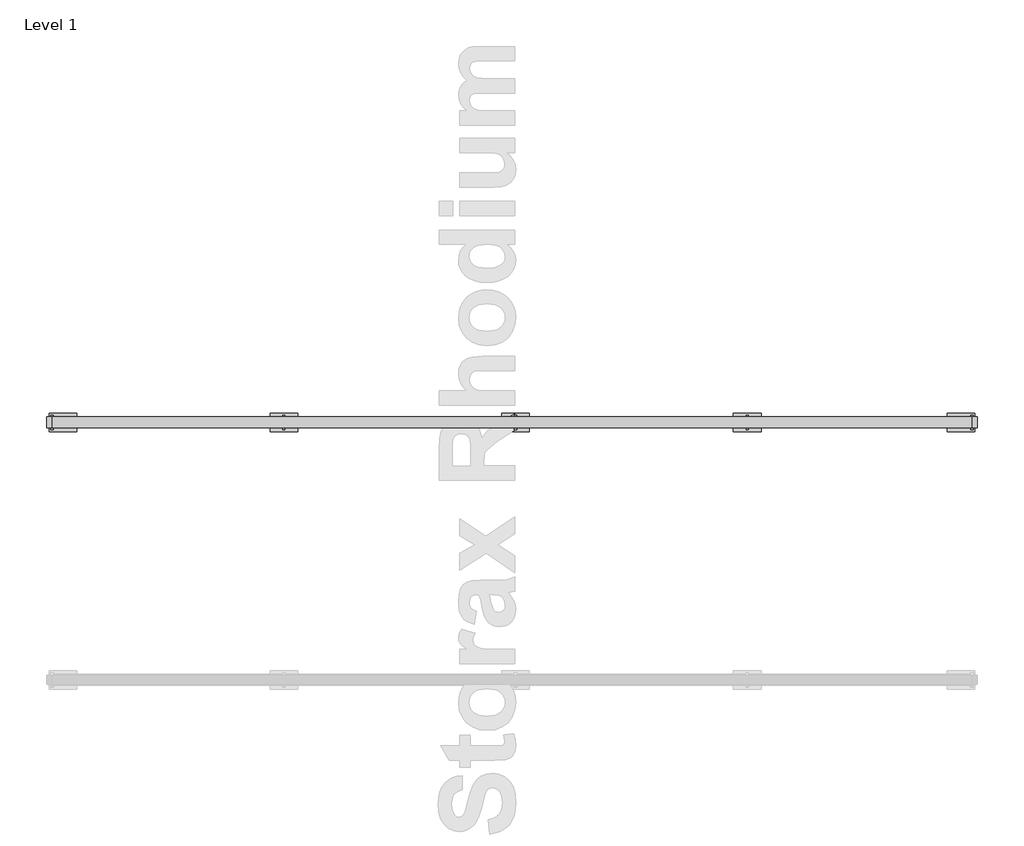
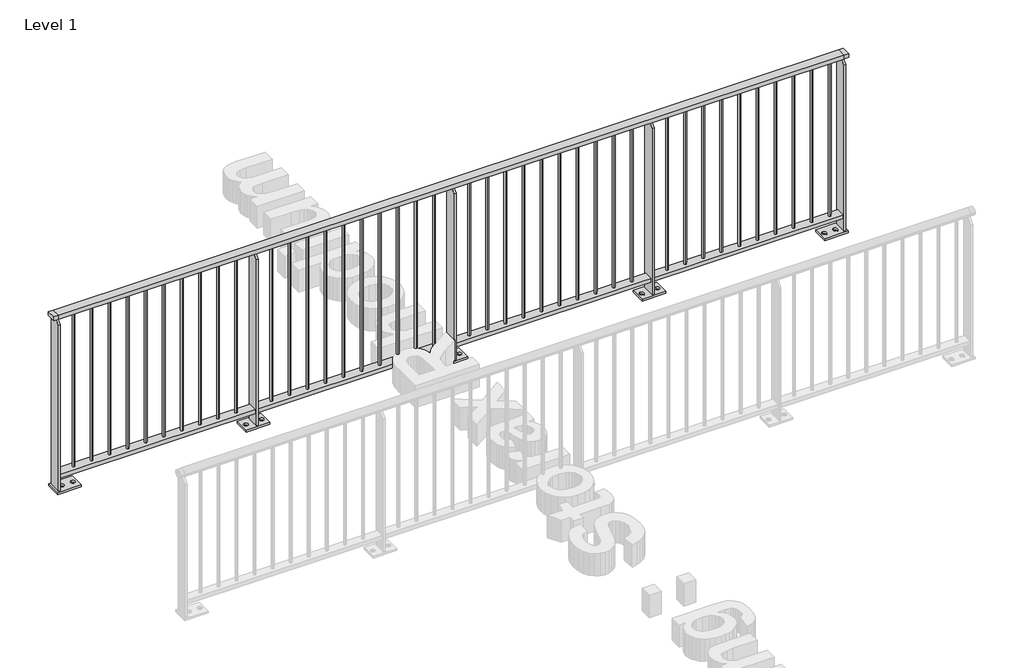
# One storey, part 8 of 20: 1 railing.
"""IFC4 building model written with IfcOpenShell, lengths in millimetres."""

from ifc_helpers import new_model, si_unit, point, frame, frame_2d, origin, origin_with_axes, place, context, project, spatial, polyline, circle_curve, trimmed, segment, composite_curve, outline, extrude, faceted_brep, element, save

model = new_model("IFC4")

# Units and contexts
model_context = context("Model", 3, world=origin())
ifc_project = project(units=[si_unit("LENGTHUNIT", "METRE", prefix="MILLI")], contexts=[model_context])

# Site, building, storey
site = spatial("IfcSite", under=ifc_project)
building = spatial("IfcBuilding", under=site)
storey = spatial("IfcBuildingStorey", under=building, Name="Level 1", Elevation=0.0)

# Railing
placement = place(None, origin())
element("IfcRailing", 1, at=placement, inside=storey, context=model_context, shape_type="SolidModel", body=[
    faceted_brep([(2259.1925079, -700.6318854, 1163.0), (2259.1925079, -700.6318854, 1188.0), (7260.6479588, -700.6318854, 1188.0), (7260.6479588, -700.6318854, 1163.0), (2259.1925079, -760.6318854, 1163.0), (7260.6479588, -760.6318854, 1163.0), (2259.1925079, -760.6318854, 1188.0), (7260.6479588, -760.6318854, 1188.0), (2229.1925079, -700.6318854, 1188.0), (2229.1925079, -700.6318854, 1163.0), (2229.1925079, -760.6318854, 1163.0), (2229.1925079, -760.6318854, 1188.0), (7290.6479588, -700.6318854, 1188.0), (7290.6479588, -760.6318854, 1188.0), (7290.6479588, -760.6318854, 1163.0), (7290.6479588, -700.6318854, 1163.0)], [[[0, 1, 2, 3]], [[4, 0, 3, 5]], [[6, 4, 5, 7]], [[1, 6, 7, 2]], [[8, 9, 10, 11]], [[9, 8, 1, 0]], [[10, 9, 0, 4]], [[11, 10, 4, 6]], [[8, 11, 6, 1]], [[12, 13, 14, 15]], [[3, 2, 12, 15]], [[5, 3, 15, 14]], [[7, 5, 14, 13]], [[2, 7, 13, 12]]]),
    extrude(outline(polyline([(2259.1925079, -760.6318854), (2259.1925079, -700.6318854), (7260.6479588, -700.6318854), (7260.6479588, -760.6318854), (2259.1925079, -760.6318854)])), frame((0.0, 0.0, 90.0), z_axis=(0.0, 0.0, 1.0), x_axis=(1.0, 0.0, 0.0)), (0.0, 0.0, 1.0), 25.0),
    extrude(outline(composite_curve([segment(trimmed(circle_curve(frame_2d((7186.6925079, -730.6318854)), 7.5), [point((7186.6925079, -723.1318854))], [point((7186.6925079, -738.1318854))], False, "CARTESIAN"), True, "CONTINUOUS"), segment(trimmed(circle_curve(frame_2d((7186.6925079, -730.6318854)), 7.5), [point((7186.6925079, -738.1318854))], [point((7186.6925079, -723.1318854))], False, "CARTESIAN"), True, "CONTINUOUS")], self_intersect=False)), frame((0.0, 0.0, 115.0), z_axis=(0.0, 0.0, 1.0), x_axis=(1.0, 0.0, 0.0)), (0.0, 0.0, 1.0), 1048.0),
    extrude(outline(composite_curve([segment(trimmed(circle_curve(frame_2d((7071.6925079, -730.6318854)), 7.5), [point((7071.6925079, -723.1318854))], [point((7071.6925079, -738.1318854))], False, "CARTESIAN"), True, "CONTINUOUS"), segment(trimmed(circle_curve(frame_2d((7071.6925079, -730.6318854)), 7.5), [point((7071.6925079, -738.1318854))], [point((7071.6925079, -723.1318854))], False, "CARTESIAN"), True, "CONTINUOUS")], self_intersect=False)), frame((0.0, 0.0, 115.0), z_axis=(0.0, 0.0, 1.0), x_axis=(1.0, 0.0, 0.0)), (0.0, 0.0, 1.0), 1048.0),
    extrude(outline(composite_curve([segment(trimmed(circle_curve(frame_2d((6956.6925079, -730.6318854)), 7.5), [point((6956.6925079, -723.1318854))], [point((6956.6925079, -738.1318854))], False, "CARTESIAN"), True, "CONTINUOUS"), segment(trimmed(circle_curve(frame_2d((6956.6925079, -730.6318854)), 7.5), [point((6956.6925079, -738.1318854))], [point((6956.6925079, -723.1318854))], False, "CARTESIAN"), True, "CONTINUOUS")], self_intersect=False)), frame((0.0, 0.0, 115.0), z_axis=(0.0, 0.0, 1.0), x_axis=(1.0, 0.0, 0.0)), (0.0, 0.0, 1.0), 1048.0),
    extrude(outline(composite_curve([segment(trimmed(circle_curve(frame_2d((6841.6925079, -730.6318854)), 7.5), [point((6841.6925079, -723.1318854))], [point((6841.6925079, -738.1318854))], False, "CARTESIAN"), True, "CONTINUOUS"), segment(trimmed(circle_curve(frame_2d((6841.6925079, -730.6318854)), 7.5), [point((6841.6925079, -738.1318854))], [point((6841.6925079, -723.1318854))], False, "CARTESIAN"), True, "CONTINUOUS")], self_intersect=False)), frame((0.0, 0.0, 115.0), z_axis=(0.0, 0.0, 1.0), x_axis=(1.0, 0.0, 0.0)), (0.0, 0.0, 1.0), 1048.0),
    extrude(outline(composite_curve([segment(trimmed(circle_curve(frame_2d((6726.6925079, -730.6318854)), 7.5), [point((6726.6925079, -723.1318854))], [point((6726.6925079, -738.1318854))], False, "CARTESIAN"), True, "CONTINUOUS"), segment(trimmed(circle_curve(frame_2d((6726.6925079, -730.6318854)), 7.5), [point((6726.6925079, -738.1318854))], [point((6726.6925079, -723.1318854))], False, "CARTESIAN"), True, "CONTINUOUS")], self_intersect=False)), frame((0.0, 0.0, 115.0), z_axis=(0.0, 0.0, 1.0), x_axis=(1.0, 0.0, 0.0)), (0.0, 0.0, 1.0), 1048.0),
    extrude(outline(composite_curve([segment(trimmed(circle_curve(frame_2d((6611.6925079, -730.6318854)), 7.5), [point((6611.6925079, -723.1318854))], [point((6611.6925079, -738.1318854))], False, "CARTESIAN"), True, "CONTINUOUS"), segment(trimmed(circle_curve(frame_2d((6611.6925079, -730.6318854)), 7.5), [point((6611.6925079, -738.1318854))], [point((6611.6925079, -723.1318854))], False, "CARTESIAN"), True, "CONTINUOUS")], self_intersect=False)), frame((0.0, 0.0, 115.0), z_axis=(0.0, 0.0, 1.0), x_axis=(1.0, 0.0, 0.0)), (0.0, 0.0, 1.0), 1048.0),
    extrude(outline(composite_curve([segment(trimmed(circle_curve(frame_2d((6496.6925079, -730.6318854)), 7.5), [point((6496.6925079, -723.1318854))], [point((6496.6925079, -738.1318854))], False, "CARTESIAN"), True, "CONTINUOUS"), segment(trimmed(circle_curve(frame_2d((6496.6925079, -730.6318854)), 7.5), [point((6496.6925079, -738.1318854))], [point((6496.6925079, -723.1318854))], False, "CARTESIAN"), True, "CONTINUOUS")], self_intersect=False)), frame((0.0, 0.0, 115.0), z_axis=(0.0, 0.0, 1.0), x_axis=(1.0, 0.0, 0.0)), (0.0, 0.0, 1.0), 1048.0),
    extrude(outline(composite_curve([segment(trimmed(circle_curve(frame_2d((6381.6925079, -730.6318854)), 7.5), [point((6381.6925079, -723.1318854))], [point((6381.6925079, -738.1318854))], False, "CARTESIAN"), True, "CONTINUOUS"), segment(trimmed(circle_curve(frame_2d((6381.6925079, -730.6318854)), 7.5), [point((6381.6925079, -738.1318854))], [point((6381.6925079, -723.1318854))], False, "CARTESIAN"), True, "CONTINUOUS")], self_intersect=False)), frame((0.0, 0.0, 115.0), z_axis=(0.0, 0.0, 1.0), x_axis=(1.0, 0.0, 0.0)), (0.0, 0.0, 1.0), 1048.0),
    extrude(outline(composite_curve([segment(trimmed(circle_curve(frame_2d((6266.6925079, -730.6318854)), 7.5), [point((6266.6925079, -723.1318854))], [point((6266.6925079, -738.1318854))], False, "CARTESIAN"), True, "CONTINUOUS"), segment(trimmed(circle_curve(frame_2d((6266.6925079, -730.6318854)), 7.5), [point((6266.6925079, -738.1318854))], [point((6266.6925079, -723.1318854))], False, "CARTESIAN"), True, "CONTINUOUS")], self_intersect=False)), frame((0.0, 0.0, 115.0), z_axis=(0.0, 0.0, 1.0), x_axis=(1.0, 0.0, 0.0)), (0.0, 0.0, 1.0), 1048.0),
    extrude(outline(composite_curve([segment(trimmed(circle_curve(frame_2d((6151.6925079, -730.6318854)), 7.5), [point((6151.6925079, -723.1318854))], [point((6151.6925079, -738.1318854))], False, "CARTESIAN"), True, "CONTINUOUS"), segment(trimmed(circle_curve(frame_2d((6151.6925079, -730.6318854)), 7.5), [point((6151.6925079, -738.1318854))], [point((6151.6925079, -723.1318854))], False, "CARTESIAN"), True, "CONTINUOUS")], self_intersect=False)), frame((0.0, 0.0, 115.0), z_axis=(0.0, 0.0, 1.0), x_axis=(1.0, 0.0, 0.0)), (0.0, 0.0, 1.0), 1048.0),
    extrude(outline(polyline([(-690.6318854, 12.0), (-770.6318854, 12.0), (-770.6318854, 1130.5), (-738.1318854, 1163.0), (-723.1318854, 1163.0), (-690.6318854, 1130.5), (-690.6318854, 12.0)])), frame((6033.1925079, 0.0, 0.0), z_axis=(1.0, 0.0, 0.0), x_axis=(0.0, 1.0, 0.0)), (0.0, 0.0, 1.0), 12.0),
    extrude(outline(polyline([(5964.1925079, -680.6318854), (6114.1925079, -680.6318854), (6114.1925079, -780.6318854), (5964.1925079, -780.6318854), (5964.1925079, -680.6318854)]), holes=[composite_curve([segment(trimmed(circle_curve(frame_2d((5989.1925079, -730.6318854)), 13.5), [point((5989.1925079, -744.1318854))], [point((5989.1925079, -717.1318854))], True, "CARTESIAN"), True, "CONTINUOUS"), segment(trimmed(circle_curve(frame_2d((5989.1925079, -730.6318854)), 13.5), [point((5989.1925079, -717.1318854))], [point((5989.1925079, -744.1318854))], True, "CARTESIAN"), True, "CONTINUOUS")], self_intersect=False), composite_curve([segment(trimmed(circle_curve(frame_2d((6089.1925079, -730.6318854)), 13.5), [point((6089.1925079, -744.1318854))], [point((6089.1925079, -717.1318854))], True, "CARTESIAN"), True, "CONTINUOUS"), segment(trimmed(circle_curve(frame_2d((6089.1925079, -730.6318854)), 13.5), [point((6089.1925079, -717.1318854))], [point((6089.1925079, -744.1318854))], True, "CARTESIAN"), True, "CONTINUOUS")], self_intersect=False)]), origin_with_axes(), (0.0, 0.0, 1.0), 12.0),
    extrude(outline(composite_curve([segment(trimmed(circle_curve(frame_2d((5926.6925079, -730.6318854)), 7.5), [point((5926.6925079, -723.1318854))], [point((5926.6925079, -738.1318854))], False, "CARTESIAN"), True, "CONTINUOUS"), segment(trimmed(circle_curve(frame_2d((5926.6925079, -730.6318854)), 7.5), [point((5926.6925079, -738.1318854))], [point((5926.6925079, -723.1318854))], False, "CARTESIAN"), True, "CONTINUOUS")], self_intersect=False)), frame((0.0, 0.0, 115.0), z_axis=(0.0, 0.0, 1.0), x_axis=(1.0, 0.0, 0.0)), (0.0, 0.0, 1.0), 1048.0),
    extrude(outline(composite_curve([segment(trimmed(circle_curve(frame_2d((5811.6925079, -730.6318854)), 7.5), [point((5811.6925079, -723.1318854))], [point((5811.6925079, -738.1318854))], False, "CARTESIAN"), True, "CONTINUOUS"), segment(trimmed(circle_curve(frame_2d((5811.6925079, -730.6318854)), 7.5), [point((5811.6925079, -738.1318854))], [point((5811.6925079, -723.1318854))], False, "CARTESIAN"), True, "CONTINUOUS")], self_intersect=False)), frame((0.0, 0.0, 115.0), z_axis=(0.0, 0.0, 1.0), x_axis=(1.0, 0.0, 0.0)), (0.0, 0.0, 1.0), 1048.0),
    extrude(outline(composite_curve([segment(trimmed(circle_curve(frame_2d((5696.6925079, -730.6318854)), 7.5), [point((5696.6925079, -723.1318854))], [point((5696.6925079, -738.1318854))], False, "CARTESIAN"), True, "CONTINUOUS"), segment(trimmed(circle_curve(frame_2d((5696.6925079, -730.6318854)), 7.5), [point((5696.6925079, -738.1318854))], [point((5696.6925079, -723.1318854))], False, "CARTESIAN"), True, "CONTINUOUS")], self_intersect=False)), frame((0.0, 0.0, 115.0), z_axis=(0.0, 0.0, 1.0), x_axis=(1.0, 0.0, 0.0)), (0.0, 0.0, 1.0), 1048.0),
    extrude(outline(composite_curve([segment(trimmed(circle_curve(frame_2d((5581.6925079, -730.6318854)), 7.5), [point((5581.6925079, -723.1318854))], [point((5581.6925079, -738.1318854))], False, "CARTESIAN"), True, "CONTINUOUS"), segment(trimmed(circle_curve(frame_2d((5581.6925079, -730.6318854)), 7.5), [point((5581.6925079, -738.1318854))], [point((5581.6925079, -723.1318854))], False, "CARTESIAN"), True, "CONTINUOUS")], self_intersect=False)), frame((0.0, 0.0, 115.0), z_axis=(0.0, 0.0, 1.0), x_axis=(1.0, 0.0, 0.0)), (0.0, 0.0, 1.0), 1048.0),
    extrude(outline(composite_curve([segment(trimmed(circle_curve(frame_2d((5466.6925079, -730.6318854)), 7.5), [point((5466.6925079, -723.1318854))], [point((5466.6925079, -738.1318854))], False, "CARTESIAN"), True, "CONTINUOUS"), segment(trimmed(circle_curve(frame_2d((5466.6925079, -730.6318854)), 7.5), [point((5466.6925079, -738.1318854))], [point((5466.6925079, -723.1318854))], False, "CARTESIAN"), True, "CONTINUOUS")], self_intersect=False)), frame((0.0, 0.0, 115.0), z_axis=(0.0, 0.0, 1.0), x_axis=(1.0, 0.0, 0.0)), (0.0, 0.0, 1.0), 1048.0),
    extrude(outline(composite_curve([segment(trimmed(circle_curve(frame_2d((5351.6925079, -730.6318854)), 7.5), [point((5351.6925079, -723.1318854))], [point((5351.6925079, -738.1318854))], False, "CARTESIAN"), True, "CONTINUOUS"), segment(trimmed(circle_curve(frame_2d((5351.6925079, -730.6318854)), 7.5), [point((5351.6925079, -738.1318854))], [point((5351.6925079, -723.1318854))], False, "CARTESIAN"), True, "CONTINUOUS")], self_intersect=False)), frame((0.0, 0.0, 115.0), z_axis=(0.0, 0.0, 1.0), x_axis=(1.0, 0.0, 0.0)), (0.0, 0.0, 1.0), 1048.0),
    extrude(outline(composite_curve([segment(trimmed(circle_curve(frame_2d((5236.6925079, -730.6318854)), 7.5), [point((5236.6925079, -723.1318854))], [point((5236.6925079, -738.1318854))], False, "CARTESIAN"), True, "CONTINUOUS"), segment(trimmed(circle_curve(frame_2d((5236.6925079, -730.6318854)), 7.5), [point((5236.6925079, -738.1318854))], [point((5236.6925079, -723.1318854))], False, "CARTESIAN"), True, "CONTINUOUS")], self_intersect=False)), frame((0.0, 0.0, 115.0), z_axis=(0.0, 0.0, 1.0), x_axis=(1.0, 0.0, 0.0)), (0.0, 0.0, 1.0), 1048.0),
    extrude(outline(composite_curve([segment(trimmed(circle_curve(frame_2d((5121.6925079, -730.6318854)), 7.5), [point((5121.6925079, -723.1318854))], [point((5121.6925079, -738.1318854))], False, "CARTESIAN"), True, "CONTINUOUS"), segment(trimmed(circle_curve(frame_2d((5121.6925079, -730.6318854)), 7.5), [point((5121.6925079, -738.1318854))], [point((5121.6925079, -723.1318854))], False, "CARTESIAN"), True, "CONTINUOUS")], self_intersect=False)), frame((0.0, 0.0, 115.0), z_axis=(0.0, 0.0, 1.0), x_axis=(1.0, 0.0, 0.0)), (0.0, 0.0, 1.0), 1048.0),
    extrude(outline(composite_curve([segment(trimmed(circle_curve(frame_2d((5006.6925079, -730.6318854)), 7.5), [point((5006.6925079, -723.1318854))], [point((5006.6925079, -738.1318854))], False, "CARTESIAN"), True, "CONTINUOUS"), segment(trimmed(circle_curve(frame_2d((5006.6925079, -730.6318854)), 7.5), [point((5006.6925079, -738.1318854))], [point((5006.6925079, -723.1318854))], False, "CARTESIAN"), True, "CONTINUOUS")], self_intersect=False)), frame((0.0, 0.0, 115.0), z_axis=(0.0, 0.0, 1.0), x_axis=(1.0, 0.0, 0.0)), (0.0, 0.0, 1.0), 1048.0),
    extrude(outline(composite_curve([segment(trimmed(circle_curve(frame_2d((4891.6925079, -730.6318854)), 7.5), [point((4891.6925079, -723.1318854))], [point((4891.6925079, -738.1318854))], False, "CARTESIAN"), True, "CONTINUOUS"), segment(trimmed(circle_curve(frame_2d((4891.6925079, -730.6318854)), 7.5), [point((4891.6925079, -738.1318854))], [point((4891.6925079, -723.1318854))], False, "CARTESIAN"), True, "CONTINUOUS")], self_intersect=False)), frame((0.0, 0.0, 115.0), z_axis=(0.0, 0.0, 1.0), x_axis=(1.0, 0.0, 0.0)), (0.0, 0.0, 1.0), 1048.0),
    extrude(outline(polyline([(-690.6318854, 12.0), (-770.6318854, 12.0), (-770.6318854, 1130.5), (-738.1318854, 1163.0), (-723.1318854, 1163.0), (-690.6318854, 1130.5), (-690.6318854, 12.0)])), frame((4773.1925079, 0.0, 0.0), z_axis=(1.0, 0.0, 0.0), x_axis=(0.0, 1.0, 0.0)), (0.0, 0.0, 1.0), 12.0),
    extrude(outline(polyline([(4704.1925079, -680.6318854), (4854.1925079, -680.6318854), (4854.1925079, -780.6318854), (4704.1925079, -780.6318854), (4704.1925079, -680.6318854)]), holes=[composite_curve([segment(trimmed(circle_curve(frame_2d((4729.1925079, -730.6318854)), 13.5), [point((4729.1925079, -744.1318854))], [point((4729.1925079, -717.1318854))], True, "CARTESIAN"), True, "CONTINUOUS"), segment(trimmed(circle_curve(frame_2d((4729.1925079, -730.6318854)), 13.5), [point((4729.1925079, -717.1318854))], [point((4729.1925079, -744.1318854))], True, "CARTESIAN"), True, "CONTINUOUS")], self_intersect=False), composite_curve([segment(trimmed(circle_curve(frame_2d((4829.1925079, -730.6318854)), 13.5), [point((4829.1925079, -744.1318854))], [point((4829.1925079, -717.1318854))], True, "CARTESIAN"), True, "CONTINUOUS"), segment(trimmed(circle_curve(frame_2d((4829.1925079, -730.6318854)), 13.5), [point((4829.1925079, -717.1318854))], [point((4829.1925079, -744.1318854))], True, "CARTESIAN"), True, "CONTINUOUS")], self_intersect=False)]), origin_with_axes(), (0.0, 0.0, 1.0), 12.0),
    extrude(outline(composite_curve([segment(trimmed(circle_curve(frame_2d((4666.6925079, -730.6318854)), 7.5), [point((4666.6925079, -723.1318854))], [point((4666.6925079, -738.1318854))], False, "CARTESIAN"), True, "CONTINUOUS"), segment(trimmed(circle_curve(frame_2d((4666.6925079, -730.6318854)), 7.5), [point((4666.6925079, -738.1318854))], [point((4666.6925079, -723.1318854))], False, "CARTESIAN"), True, "CONTINUOUS")], self_intersect=False)), frame((0.0, 0.0, 115.0), z_axis=(0.0, 0.0, 1.0), x_axis=(1.0, 0.0, 0.0)), (0.0, 0.0, 1.0), 1048.0),
    extrude(outline(composite_curve([segment(trimmed(circle_curve(frame_2d((4551.6925079, -730.6318854)), 7.5), [point((4551.6925079, -723.1318854))], [point((4551.6925079, -738.1318854))], False, "CARTESIAN"), True, "CONTINUOUS"), segment(trimmed(circle_curve(frame_2d((4551.6925079, -730.6318854)), 7.5), [point((4551.6925079, -738.1318854))], [point((4551.6925079, -723.1318854))], False, "CARTESIAN"), True, "CONTINUOUS")], self_intersect=False)), frame((0.0, 0.0, 115.0), z_axis=(0.0, 0.0, 1.0), x_axis=(1.0, 0.0, 0.0)), (0.0, 0.0, 1.0), 1048.0),
    extrude(outline(composite_curve([segment(trimmed(circle_curve(frame_2d((4436.6925079, -730.6318854)), 7.5), [point((4436.6925079, -723.1318854))], [point((4436.6925079, -738.1318854))], False, "CARTESIAN"), True, "CONTINUOUS"), segment(trimmed(circle_curve(frame_2d((4436.6925079, -730.6318854)), 7.5), [point((4436.6925079, -738.1318854))], [point((4436.6925079, -723.1318854))], False, "CARTESIAN"), True, "CONTINUOUS")], self_intersect=False)), frame((0.0, 0.0, 115.0), z_axis=(0.0, 0.0, 1.0), x_axis=(1.0, 0.0, 0.0)), (0.0, 0.0, 1.0), 1048.0),
    extrude(outline(composite_curve([segment(trimmed(circle_curve(frame_2d((4321.6925079, -730.6318854)), 7.5), [point((4321.6925079, -723.1318854))], [point((4321.6925079, -738.1318854))], False, "CARTESIAN"), True, "CONTINUOUS"), segment(trimmed(circle_curve(frame_2d((4321.6925079, -730.6318854)), 7.5), [point((4321.6925079, -738.1318854))], [point((4321.6925079, -723.1318854))], False, "CARTESIAN"), True, "CONTINUOUS")], self_intersect=False)), frame((0.0, 0.0, 115.0), z_axis=(0.0, 0.0, 1.0), x_axis=(1.0, 0.0, 0.0)), (0.0, 0.0, 1.0), 1048.0),
    extrude(outline(composite_curve([segment(trimmed(circle_curve(frame_2d((4206.6925079, -730.6318854)), 7.5), [point((4206.6925079, -723.1318854))], [point((4206.6925079, -738.1318854))], False, "CARTESIAN"), True, "CONTINUOUS"), segment(trimmed(circle_curve(frame_2d((4206.6925079, -730.6318854)), 7.5), [point((4206.6925079, -738.1318854))], [point((4206.6925079, -723.1318854))], False, "CARTESIAN"), True, "CONTINUOUS")], self_intersect=False)), frame((0.0, 0.0, 115.0), z_axis=(0.0, 0.0, 1.0), x_axis=(1.0, 0.0, 0.0)), (0.0, 0.0, 1.0), 1048.0),
    extrude(outline(composite_curve([segment(trimmed(circle_curve(frame_2d((4091.6925079, -730.6318854)), 7.5), [point((4091.6925079, -723.1318854))], [point((4091.6925079, -738.1318854))], False, "CARTESIAN"), True, "CONTINUOUS"), segment(trimmed(circle_curve(frame_2d((4091.6925079, -730.6318854)), 7.5), [point((4091.6925079, -738.1318854))], [point((4091.6925079, -723.1318854))], False, "CARTESIAN"), True, "CONTINUOUS")], self_intersect=False)), frame((0.0, 0.0, 115.0), z_axis=(0.0, 0.0, 1.0), x_axis=(1.0, 0.0, 0.0)), (0.0, 0.0, 1.0), 1048.0),
    extrude(outline(composite_curve([segment(trimmed(circle_curve(frame_2d((3976.6925079, -730.6318854)), 7.5), [point((3976.6925079, -723.1318854))], [point((3976.6925079, -738.1318854))], False, "CARTESIAN"), True, "CONTINUOUS"), segment(trimmed(circle_curve(frame_2d((3976.6925079, -730.6318854)), 7.5), [point((3976.6925079, -738.1318854))], [point((3976.6925079, -723.1318854))], False, "CARTESIAN"), True, "CONTINUOUS")], self_intersect=False)), frame((0.0, 0.0, 115.0), z_axis=(0.0, 0.0, 1.0), x_axis=(1.0, 0.0, 0.0)), (0.0, 0.0, 1.0), 1048.0),
    extrude(outline(composite_curve([segment(trimmed(circle_curve(frame_2d((3861.6925079, -730.6318854)), 7.5), [point((3861.6925079, -723.1318854))], [point((3861.6925079, -738.1318854))], False, "CARTESIAN"), True, "CONTINUOUS"), segment(trimmed(circle_curve(frame_2d((3861.6925079, -730.6318854)), 7.5), [point((3861.6925079, -738.1318854))], [point((3861.6925079, -723.1318854))], False, "CARTESIAN"), True, "CONTINUOUS")], self_intersect=False)), frame((0.0, 0.0, 115.0), z_axis=(0.0, 0.0, 1.0), x_axis=(1.0, 0.0, 0.0)), (0.0, 0.0, 1.0), 1048.0),
    extrude(outline(composite_curve([segment(trimmed(circle_curve(frame_2d((3746.6925079, -730.6318854)), 7.5), [point((3746.6925079, -723.1318854))], [point((3746.6925079, -738.1318854))], False, "CARTESIAN"), True, "CONTINUOUS"), segment(trimmed(circle_curve(frame_2d((3746.6925079, -730.6318854)), 7.5), [point((3746.6925079, -738.1318854))], [point((3746.6925079, -723.1318854))], False, "CARTESIAN"), True, "CONTINUOUS")], self_intersect=False)), frame((0.0, 0.0, 115.0), z_axis=(0.0, 0.0, 1.0), x_axis=(1.0, 0.0, 0.0)), (0.0, 0.0, 1.0), 1048.0),
    extrude(outline(composite_curve([segment(trimmed(circle_curve(frame_2d((3631.6925079, -730.6318854)), 7.5), [point((3631.6925079, -723.1318854))], [point((3631.6925079, -738.1318854))], False, "CARTESIAN"), True, "CONTINUOUS"), segment(trimmed(circle_curve(frame_2d((3631.6925079, -730.6318854)), 7.5), [point((3631.6925079, -738.1318854))], [point((3631.6925079, -723.1318854))], False, "CARTESIAN"), True, "CONTINUOUS")], self_intersect=False)), frame((0.0, 0.0, 115.0), z_axis=(0.0, 0.0, 1.0), x_axis=(1.0, 0.0, 0.0)), (0.0, 0.0, 1.0), 1048.0),
    extrude(outline(polyline([(-690.6318854, 12.0), (-770.6318854, 12.0), (-770.6318854, 1130.5), (-738.1318854, 1163.0), (-723.1318854, 1163.0), (-690.6318854, 1130.5), (-690.6318854, 12.0)])), frame((3513.1925079, 0.0, 0.0), z_axis=(1.0, 0.0, 0.0), x_axis=(0.0, 1.0, 0.0)), (0.0, 0.0, 1.0), 12.0),
    extrude(outline(polyline([(3444.1925079, -680.6318854), (3594.1925079, -680.6318854), (3594.1925079, -780.6318854), (3444.1925079, -780.6318854), (3444.1925079, -680.6318854)]), holes=[composite_curve([segment(trimmed(circle_curve(frame_2d((3469.1925079, -730.6318854)), 13.5), [point((3469.1925079, -744.1318854))], [point((3469.1925079, -717.1318854))], True, "CARTESIAN"), True, "CONTINUOUS"), segment(trimmed(circle_curve(frame_2d((3469.1925079, -730.6318854)), 13.5), [point((3469.1925079, -717.1318854))], [point((3469.1925079, -744.1318854))], True, "CARTESIAN"), True, "CONTINUOUS")], self_intersect=False), composite_curve([segment(trimmed(circle_curve(frame_2d((3569.1925079, -730.6318854)), 13.5), [point((3569.1925079, -744.1318854))], [point((3569.1925079, -717.1318854))], True, "CARTESIAN"), True, "CONTINUOUS"), segment(trimmed(circle_curve(frame_2d((3569.1925079, -730.6318854)), 13.5), [point((3569.1925079, -717.1318854))], [point((3569.1925079, -744.1318854))], True, "CARTESIAN"), True, "CONTINUOUS")], self_intersect=False)]), origin_with_axes(), (0.0, 0.0, 1.0), 12.0),
    extrude(outline(composite_curve([segment(trimmed(circle_curve(frame_2d((3406.6925079, -730.6318854)), 7.5), [point((3406.6925079, -723.1318854))], [point((3406.6925079, -738.1318854))], False, "CARTESIAN"), True, "CONTINUOUS"), segment(trimmed(circle_curve(frame_2d((3406.6925079, -730.6318854)), 7.5), [point((3406.6925079, -738.1318854))], [point((3406.6925079, -723.1318854))], False, "CARTESIAN"), True, "CONTINUOUS")], self_intersect=False)), frame((0.0, 0.0, 115.0), z_axis=(0.0, 0.0, 1.0), x_axis=(1.0, 0.0, 0.0)), (0.0, 0.0, 1.0), 1048.0),
    extrude(outline(composite_curve([segment(trimmed(circle_curve(frame_2d((3291.6925079, -730.6318854)), 7.5), [point((3291.6925079, -723.1318854))], [point((3291.6925079, -738.1318854))], False, "CARTESIAN"), True, "CONTINUOUS"), segment(trimmed(circle_curve(frame_2d((3291.6925079, -730.6318854)), 7.5), [point((3291.6925079, -738.1318854))], [point((3291.6925079, -723.1318854))], False, "CARTESIAN"), True, "CONTINUOUS")], self_intersect=False)), frame((0.0, 0.0, 115.0), z_axis=(0.0, 0.0, 1.0), x_axis=(1.0, 0.0, 0.0)), (0.0, 0.0, 1.0), 1048.0),
    extrude(outline(composite_curve([segment(trimmed(circle_curve(frame_2d((3176.6925079, -730.6318854)), 7.5), [point((3176.6925079, -723.1318854))], [point((3176.6925079, -738.1318854))], False, "CARTESIAN"), True, "CONTINUOUS"), segment(trimmed(circle_curve(frame_2d((3176.6925079, -730.6318854)), 7.5), [point((3176.6925079, -738.1318854))], [point((3176.6925079, -723.1318854))], False, "CARTESIAN"), True, "CONTINUOUS")], self_intersect=False)), frame((0.0, 0.0, 115.0), z_axis=(0.0, 0.0, 1.0), x_axis=(1.0, 0.0, 0.0)), (0.0, 0.0, 1.0), 1048.0),
    extrude(outline(composite_curve([segment(trimmed(circle_curve(frame_2d((3061.6925079, -730.6318854)), 7.5), [point((3061.6925079, -723.1318854))], [point((3061.6925079, -738.1318854))], False, "CARTESIAN"), True, "CONTINUOUS"), segment(trimmed(circle_curve(frame_2d((3061.6925079, -730.6318854)), 7.5), [point((3061.6925079, -738.1318854))], [point((3061.6925079, -723.1318854))], False, "CARTESIAN"), True, "CONTINUOUS")], self_intersect=False)), frame((0.0, 0.0, 115.0), z_axis=(0.0, 0.0, 1.0), x_axis=(1.0, 0.0, 0.0)), (0.0, 0.0, 1.0), 1048.0),
    extrude(outline(composite_curve([segment(trimmed(circle_curve(frame_2d((2946.6925079, -730.6318854)), 7.5), [point((2946.6925079, -723.1318854))], [point((2946.6925079, -738.1318854))], False, "CARTESIAN"), True, "CONTINUOUS"), segment(trimmed(circle_curve(frame_2d((2946.6925079, -730.6318854)), 7.5), [point((2946.6925079, -738.1318854))], [point((2946.6925079, -723.1318854))], False, "CARTESIAN"), True, "CONTINUOUS")], self_intersect=False)), frame((0.0, 0.0, 115.0), z_axis=(0.0, 0.0, 1.0), x_axis=(1.0, 0.0, 0.0)), (0.0, 0.0, 1.0), 1048.0),
    extrude(outline(composite_curve([segment(trimmed(circle_curve(frame_2d((2831.6925079, -730.6318854)), 7.5), [point((2831.6925079, -723.1318854))], [point((2831.6925079, -738.1318854))], False, "CARTESIAN"), True, "CONTINUOUS"), segment(trimmed(circle_curve(frame_2d((2831.6925079, -730.6318854)), 7.5), [point((2831.6925079, -738.1318854))], [point((2831.6925079, -723.1318854))], False, "CARTESIAN"), True, "CONTINUOUS")], self_intersect=False)), frame((0.0, 0.0, 115.0), z_axis=(0.0, 0.0, 1.0), x_axis=(1.0, 0.0, 0.0)), (0.0, 0.0, 1.0), 1048.0),
    extrude(outline(composite_curve([segment(trimmed(circle_curve(frame_2d((2716.6925079, -730.6318854)), 7.5), [point((2716.6925079, -723.1318854))], [point((2716.6925079, -738.1318854))], False, "CARTESIAN"), True, "CONTINUOUS"), segment(trimmed(circle_curve(frame_2d((2716.6925079, -730.6318854)), 7.5), [point((2716.6925079, -738.1318854))], [point((2716.6925079, -723.1318854))], False, "CARTESIAN"), True, "CONTINUOUS")], self_intersect=False)), frame((0.0, 0.0, 115.0), z_axis=(0.0, 0.0, 1.0), x_axis=(1.0, 0.0, 0.0)), (0.0, 0.0, 1.0), 1048.0),
    extrude(outline(composite_curve([segment(trimmed(circle_curve(frame_2d((2601.6925079, -730.6318854)), 7.5), [point((2601.6925079, -723.1318854))], [point((2601.6925079, -738.1318854))], False, "CARTESIAN"), True, "CONTINUOUS"), segment(trimmed(circle_curve(frame_2d((2601.6925079, -730.6318854)), 7.5), [point((2601.6925079, -738.1318854))], [point((2601.6925079, -723.1318854))], False, "CARTESIAN"), True, "CONTINUOUS")], self_intersect=False)), frame((0.0, 0.0, 115.0), z_axis=(0.0, 0.0, 1.0), x_axis=(1.0, 0.0, 0.0)), (0.0, 0.0, 1.0), 1048.0),
    extrude(outline(composite_curve([segment(trimmed(circle_curve(frame_2d((2486.6925079, -730.6318854)), 7.5), [point((2486.6925079, -723.1318854))], [point((2486.6925079, -738.1318854))], False, "CARTESIAN"), True, "CONTINUOUS"), segment(trimmed(circle_curve(frame_2d((2486.6925079, -730.6318854)), 7.5), [point((2486.6925079, -738.1318854))], [point((2486.6925079, -723.1318854))], False, "CARTESIAN"), True, "CONTINUOUS")], self_intersect=False)), frame((0.0, 0.0, 115.0), z_axis=(0.0, 0.0, 1.0), x_axis=(1.0, 0.0, 0.0)), (0.0, 0.0, 1.0), 1048.0),
    extrude(outline(composite_curve([segment(trimmed(circle_curve(frame_2d((2371.6925079, -730.6318854)), 7.5), [point((2371.6925079, -723.1318854))], [point((2371.6925079, -738.1318854))], False, "CARTESIAN"), True, "CONTINUOUS"), segment(trimmed(circle_curve(frame_2d((2371.6925079, -730.6318854)), 7.5), [point((2371.6925079, -738.1318854))], [point((2371.6925079, -723.1318854))], False, "CARTESIAN"), True, "CONTINUOUS")], self_intersect=False)), frame((0.0, 0.0, 115.0), z_axis=(0.0, 0.0, 1.0), x_axis=(1.0, 0.0, 0.0)), (0.0, 0.0, 1.0), 1048.0),
    extrude(outline(polyline([(-690.6318854, 12.0), (-770.6318854, 12.0), (-770.6318854, 1130.5), (-738.1318854, 1163.0), (-723.1318854, 1163.0), (-690.6318854, 1130.5), (-690.6318854, 12.0)])), frame((7254.6479588, 0.0, 0.0), z_axis=(1.0, 0.0, 0.0), x_axis=(0.0, 1.0, 0.0)), (0.0, 0.0, 1.0), 12.0),
    extrude(outline(polyline([(7126.6479588, -680.6318854), (7276.6479588, -680.6318854), (7276.6479588, -780.6318854), (7126.6479588, -780.6318854), (7126.6479588, -680.6318854)]), holes=[composite_curve([segment(trimmed(circle_curve(frame_2d((7151.6479588, -730.6318854)), 13.5), [point((7151.6479588, -744.1318854))], [point((7151.6479588, -717.1318854))], True, "CARTESIAN"), True, "CONTINUOUS"), segment(trimmed(circle_curve(frame_2d((7151.6479588, -730.6318854)), 13.5), [point((7151.6479588, -717.1318854))], [point((7151.6479588, -744.1318854))], True, "CARTESIAN"), True, "CONTINUOUS")], self_intersect=False), composite_curve([segment(trimmed(circle_curve(frame_2d((7221.6479588, -730.6318854)), 13.5), [point((7221.6479588, -744.1318854))], [point((7221.6479588, -717.1318854))], True, "CARTESIAN"), True, "CONTINUOUS"), segment(trimmed(circle_curve(frame_2d((7221.6479588, -730.6318854)), 13.5), [point((7221.6479588, -717.1318854))], [point((7221.6479588, -744.1318854))], True, "CARTESIAN"), True, "CONTINUOUS")], self_intersect=False)]), origin_with_axes(), (0.0, 0.0, 1.0), 12.0),
    extrude(outline(polyline([(-690.6318854, 12.0), (-770.6318854, 12.0), (-770.6318854, 1130.5), (-738.1318854, 1163.0), (-723.1318854, 1163.0), (-690.6318854, 1130.5), (-690.6318854, 12.0)])), frame((2253.1925079, 0.0, 0.0), z_axis=(1.0, 0.0, 0.0), x_axis=(0.0, 1.0, 0.0)), (0.0, 0.0, 1.0), 12.0),
    extrude(outline(polyline([(2243.1925079, -680.6318854), (2393.1925079, -680.6318854), (2393.1925079, -780.6318854), (2243.1925079, -780.6318854), (2243.1925079, -680.6318854)]), holes=[composite_curve([segment(trimmed(circle_curve(frame_2d((2298.1925079, -730.6318854)), 13.5), [point((2298.1925079, -744.1318854))], [point((2298.1925079, -717.1318854))], True, "CARTESIAN"), True, "CONTINUOUS"), segment(trimmed(circle_curve(frame_2d((2298.1925079, -730.6318854)), 13.5), [point((2298.1925079, -717.1318854))], [point((2298.1925079, -744.1318854))], True, "CARTESIAN"), True, "CONTINUOUS")], self_intersect=False), composite_curve([segment(trimmed(circle_curve(frame_2d((2368.1925079, -730.6318854)), 13.5), [point((2368.1925079, -744.1318854))], [point((2368.1925079, -717.1318854))], True, "CARTESIAN"), True, "CONTINUOUS"), segment(trimmed(circle_curve(frame_2d((2368.1925079, -730.6318854)), 13.5), [point((2368.1925079, -717.1318854))], [point((2368.1925079, -744.1318854))], True, "CARTESIAN"), True, "CONTINUOUS")], self_intersect=False)]), origin_with_axes(), (0.0, 0.0, 1.0), 12.0),
])

save(model, "model.ifc")
